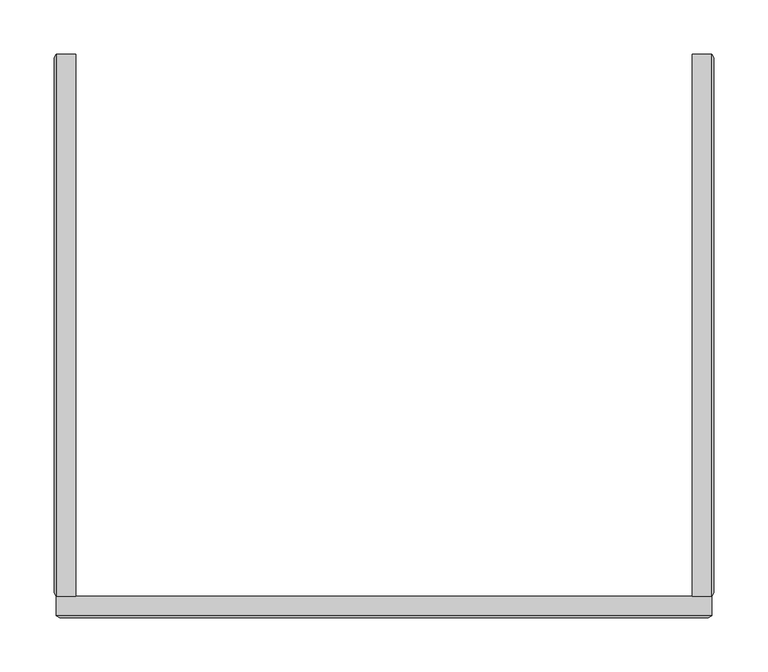
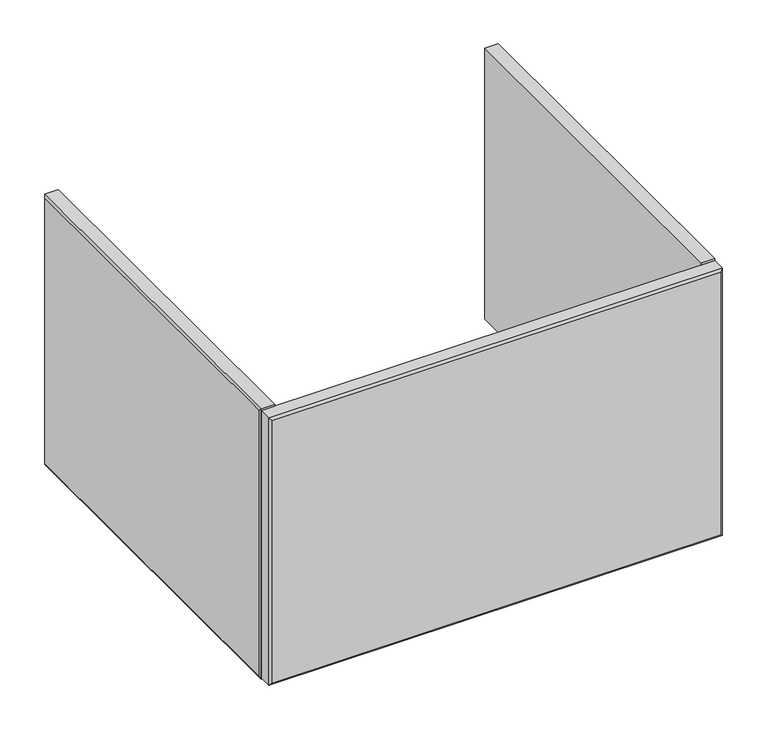
"""IFC4 building model written with IfcOpenShell, lengths in millimetres: furniture geometry."""

from ifc_helpers import new_model, si_unit, origin, place, context, project, spatial, faceted_brep, source, transform, mapped, element, save


def furniture_e5d35f4b(model_context):
    return source(origin(), model_context, "Body", "Brep", [
        faceted_brep([(-282.888965, -520.6204684, 506.10262), (-265.1648424, -520.6204684, 506.10262), (-265.1648424, -520.6204684, 887.10262), (-282.888965, -520.6204684, 887.10262), (-282.888965, -21.75256, 887.10262), (-265.1648424, -21.75256, 887.10262), (-265.1648424, -21.75256, 506.10262), (-282.888965, -21.75256, 506.10262), (-284.722842, -24.9275601, 883.9218502), (-284.722842, -517.4454624, 883.9218502), (-284.722842, -24.9275601, 509.2833899), (-284.722842, -517.4454624, 509.2833899)], [[[0, 1, 2, 3]], [[4, 5, 6, 7]], [[3, 4, 8, 9]], [[9, 8, 10, 11]], [[1, 0, 7, 6]], [[2, 1, 6, 5]], [[3, 2, 5, 4]], [[7, 0, 11, 10]], [[4, 7, 10, 8]], [[0, 3, 9, 11]]]),
        faceted_brep([(302.6369231, -520.6204684, 506.10262), (320.3643748, -520.6204684, 506.10262), (320.3643748, -520.6204684, 887.10262), (302.6369231, -520.6204684, 887.10262), (302.6369231, -21.75256, 506.10262), (302.6369231, -21.75256, 887.10262), (320.3643748, -21.75256, 887.10262), (320.3643748, -21.75256, 506.10262), (322.1982518, -517.4454624, 509.2833899), (322.1982518, -24.9275601, 509.2833899), (322.1982518, -24.9275601, 883.9218502), (322.1982518, -517.4454624, 883.9218502)], [[[0, 1, 2, 3]], [[4, 5, 6, 7]], [[8, 9, 10, 11]], [[6, 2, 11, 10]], [[3, 2, 6, 5]], [[0, 3, 5, 4]], [[1, 0, 4, 7]], [[1, 7, 9, 8]], [[2, 1, 8, 11]], [[7, 6, 10, 9]]]),
        faceted_brep([(-282.888965, -538.3445864, 884.7531086), (-282.888965, -520.6204684, 884.7531086), (-282.888965, -520.6204684, 508.4521314), (-282.888965, -538.3445864, 508.4521314), (320.3643748, -538.3445864, 508.4521314), (320.3643748, -520.6204684, 508.4521314), (320.3643748, -520.6204684, 884.7531086), (320.3643748, -538.3445864, 884.7531086), (-279.7139635, -540.1705287, 881.5781207), (317.1893733, -540.1705288, 881.5781207), (317.1893733, -540.1705288, 511.6271193), (-279.7139635, -540.1705287, 511.6271193)], [[[0, 1, 2, 3]], [[4, 5, 6, 7]], [[7, 0, 8, 9]], [[1, 0, 7, 6]], [[2, 1, 6, 5]], [[3, 2, 5, 4]], [[3, 4, 10, 11]], [[9, 8, 11, 10]], [[4, 7, 9, 10]], [[0, 3, 11, 8]]]),
    ])


if __name__ == "__main__":
    model = new_model("IFC4")
    model_context = context("Model", 3, world=origin())
    ifc_project = project(units=[si_unit("LENGTHUNIT", "METRE", prefix="MILLI")], contexts=[model_context])
    site = spatial("IfcSite", under=ifc_project)
    building = spatial("IfcBuilding", under=site)
    placement = place(None, origin())
    furniture_shape = furniture_e5d35f4b(model_context)
    element("IfcFurniture", 1, at=placement, inside=building, context=model_context, shape_type="MappedRepresentation", body=[
        mapped(furniture_shape, transform((0.0, 0.0, 0.0), x_axis=(1.0, 0.0, 0.0), y_axis=(0.0, 1.0, 0.0), z_axis=(0.0, 0.0, 1.0))),
    ])
    save(model, "model.ifc")
